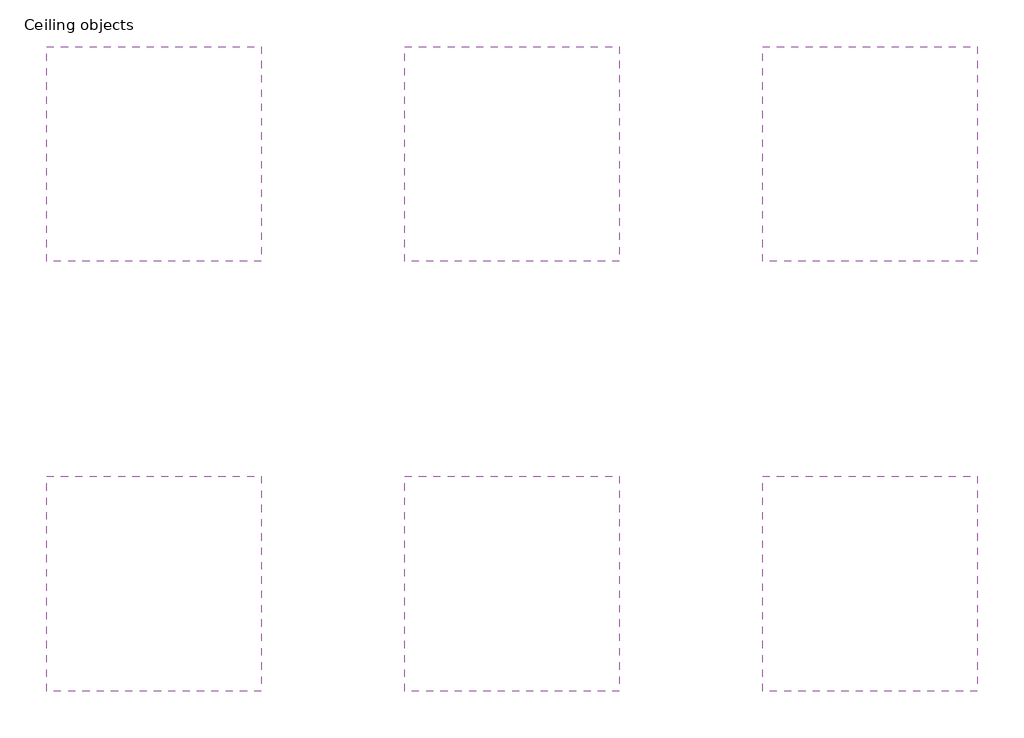
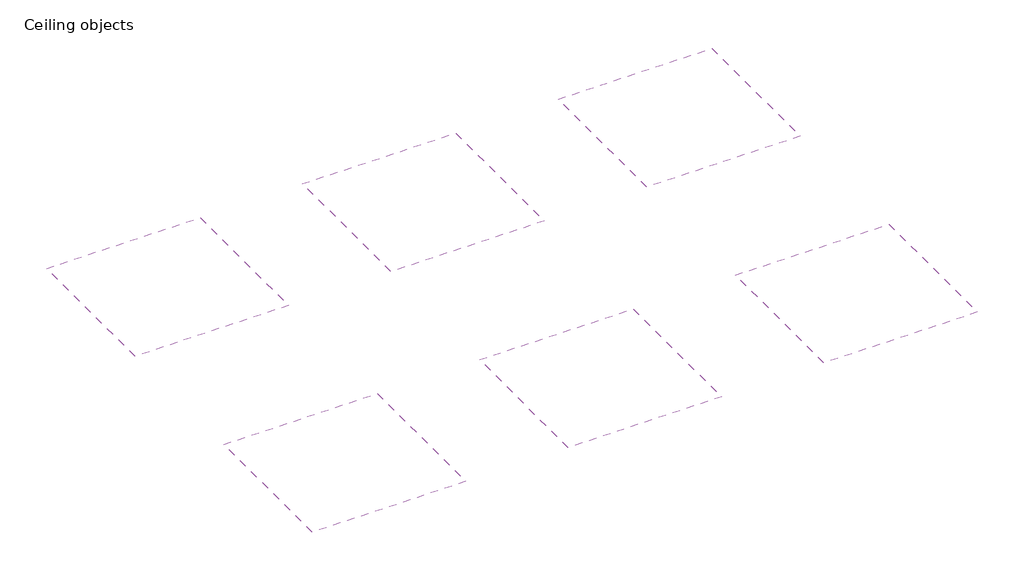
# One storey: 6 coverings.
"""IFC4 building model written with IfcOpenShell, lengths in millimetres."""

from ifc_helpers import new_model, si_unit, frame, origin, place, context, project, spatial, polyline, outline, extrude, element, save

model = new_model("IFC4")

# Units and contexts
model_context = context("Model", 3, world=origin())
ifc_project = project(units=[si_unit("LENGTHUNIT", "METRE", prefix="MILLI")], contexts=[model_context])

# Site, building, storey
site = spatial("IfcSite", under=ifc_project)
building = spatial("IfcBuilding", under=site)
storey = spatial("IfcBuildingStorey", under=building, Name="Ceiling objects", Elevation=0.0)

# Coverings
placement = place(None, origin())
element("IfcCovering", 1, at=placement, inside=storey, context=model_context, shape_type="SweptSolid", body=[
    extrude(outline(polyline([(-4783.0103193, 8117.0281757), (-4783.0103193, 5117.0281757), (-7783.0103193, 5117.0281757), (-7783.0103193, 8117.0281757), (-4783.0103193, 8117.0281757)])), frame((0.0, 0.0, 2600.0), z_axis=(0.0, 0.0, 1.0), x_axis=(1.0, 0.0, 0.0)), (0.0, 0.0, 1.0), 38.0000012),
])
element("IfcCovering", 2, at=placement, inside=storey, context=model_context, shape_type="SweptSolid", body=[
    extrude(outline(polyline([(-4783.0103193, 2117.0279837), (-4783.0103193, -882.9720163), (-7783.0103193, -882.9720163), (-7783.0103193, 2117.0279837), (-4783.0103193, 2117.0279837)])), frame((0.0, 0.0, 2600.0), z_axis=(0.0, 0.0, 1.0), x_axis=(1.0, 0.0, 0.0)), (0.0, 0.0, 1.0), 38.0000012),
])
element("IfcCovering", 3, at=placement, inside=storey, context=model_context, shape_type="SweptSolid", body=[
    extrude(outline(polyline([(216.9898407, 8117.0281757), (216.9898407, 5117.0281757), (-2783.0101593, 5117.0281757), (-2783.0101593, 8117.0281757), (216.9898407, 8117.0281757)])), frame((0.0, 0.0, 2600.0), z_axis=(0.0, 0.0, 1.0), x_axis=(1.0, 0.0, 0.0)), (0.0, 0.0, 1.0), 38.0000012),
])
element("IfcCovering", 4, at=placement, inside=storey, context=model_context, shape_type="SweptSolid", body=[
    extrude(outline(polyline([(216.9898407, 2117.0279837), (216.9898407, -882.9720163), (-2783.0101593, -882.9720163), (-2783.0101593, 2117.0279837), (216.9898407, 2117.0279837)])), frame((0.0, 0.0, 2600.0), z_axis=(0.0, 0.0, 1.0), x_axis=(1.0, 0.0, 0.0)), (0.0, 0.0, 1.0), 38.0000012),
])
element("IfcCovering", 5, at=placement, inside=storey, context=model_context, shape_type="SweptSolid", body=[
    extrude(outline(polyline([(5216.9900007, 8117.0281757), (5216.9900007, 5117.0281757), (2216.9900007, 5117.0281757), (2216.9900007, 8117.0281757), (5216.9900007, 8117.0281757)])), frame((0.0, 0.0, 2600.0), z_axis=(0.0, 0.0, 1.0), x_axis=(1.0, 0.0, 0.0)), (0.0, 0.0, 1.0), 38.0000012),
])
element("IfcCovering", 6, at=placement, inside=storey, context=model_context, shape_type="SweptSolid", body=[
    extrude(outline(polyline([(5216.9900007, 2117.0279837), (5216.9900007, -882.9720163), (2216.9900007, -882.9720163), (2216.9900007, 2117.0279837), (5216.9900007, 2117.0279837)])), frame((0.0, 0.0, 2600.0), z_axis=(0.0, 0.0, 1.0), x_axis=(1.0, 0.0, 0.0)), (0.0, 0.0, 1.0), 38.0000012),
])

save(model, "model.ifc")
